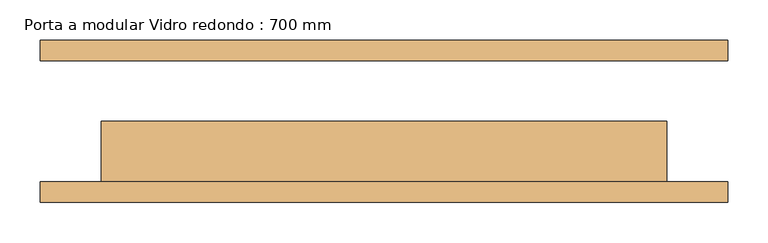
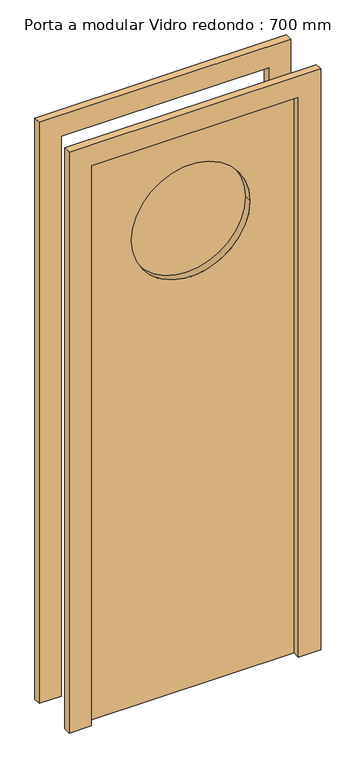
"""IFC4 building model written with IfcOpenShell, lengths in millimetres: door geometry, Porta a modular Vidro redondo : 700 mm."""

from ifc_helpers import new_model, si_unit, point, frame, frame_2d, origin, place, context, project, spatial, polyline, circle_curve, trimmed, segment, composite_curve, outline, extrude, source, transform, mapped, element, save


def porta_a_modular_vidro_redondo_700_mm_aa47a760(model_context):
    return source(origin(), model_context, "Body", "SweptSolid", [
        extrude(outline(polyline([(2000.0, -350.0), (2000.0, 350.0), (0.0, 350.0), (0.0, 425.0), (2075.0, 425.0), (2075.0, -425.0), (0.0, -425.0), (0.0, -350.0), (2000.0, -350.0)])), frame((0.0, -100.0, 0.0), z_axis=(0.0, 1.0, 0.0), x_axis=(0.0, 0.0, 1.0)), (0.0, 0.0, 1.0), 25.0),
        extrude(outline(polyline([(2075.0, -425.0), (0.0, -425.0), (0.0, -350.0), (2000.0, -350.0), (2000.0, 350.0), (0.0, 350.0), (0.0, 425.0), (2075.0, 425.0), (2075.0, -425.0)])), frame((0.0, 75.0, 0.0), z_axis=(0.0, 1.0, 0.0), x_axis=(0.0, 0.0, 1.0)), (0.0, 0.0, 1.0), 25.0),
        extrude(outline(polyline([(2000.0, -350.0), (0.0, -350.0), (0.0, 350.0), (2000.0, 350.0), (2000.0, -350.0)]), holes=[composite_curve([segment(trimmed(circle_curve(frame_2d((1666.6666667, 0.0)), 200.0), [point((1666.6666667, -200.0))], [point((1666.6666667, 200.0))], True, "CARTESIAN"), True, "CONTINUOUS"), segment(trimmed(circle_curve(frame_2d((1666.6666667, 0.0)), 200.0), [point((1666.6666667, 200.0))], [point((1666.6666667, -200.0))], True, "CARTESIAN"), True, "CONTINUOUS")], self_intersect=False)]), frame((0.0, -75.0, 0.0), z_axis=(0.0, 1.0, 0.0), x_axis=(0.0, 0.0, 1.0)), (0.0, 0.0, 1.0), 75.0),
        extrude(outline(composite_curve([segment(trimmed(circle_curve(frame_2d((1666.6666667, 0.0)), 200.0), [point((1666.6666667, -200.0))], [point((1666.6666667, 200.0))], False, "CARTESIAN"), True, "CONTINUOUS"), segment(trimmed(circle_curve(frame_2d((1666.6666667, 0.0)), 200.0), [point((1666.6666667, 200.0))], [point((1666.6666667, -200.0))], False, "CARTESIAN"), True, "CONTINUOUS")], self_intersect=False)), frame((0.0, -50.0, 0.0), z_axis=(0.0, 1.0, 0.0), x_axis=(0.0, 0.0, 1.0)), (0.0, 0.0, 1.0), 25.0),
    ])


if __name__ == "__main__":
    model = new_model("IFC4")
    model_context = context("Model", 3, world=origin())
    ifc_project = project(units=[si_unit("LENGTHUNIT", "METRE", prefix="MILLI")], contexts=[model_context])
    site = spatial("IfcSite", under=ifc_project)
    building = spatial("IfcBuilding", under=site)
    placement = place(None, origin())
    porta_a_modular_vidro_redondo_700_mm_shape = porta_a_modular_vidro_redondo_700_mm_aa47a760(model_context)
    element("IfcDoor", 1, ObjectType="Porta a modular Vidro redondo : 700 mm", at=placement, inside=building, context=model_context, shape_type="MappedRepresentation", body=[
        mapped(porta_a_modular_vidro_redondo_700_mm_shape, transform((0.0, 0.0, 0.0), x_axis=(1.0, 0.0, 0.0), y_axis=(0.0, 1.0, 0.0), z_axis=(0.0, 0.0, 1.0))),
    ])
    save(model, "model.ifc")
